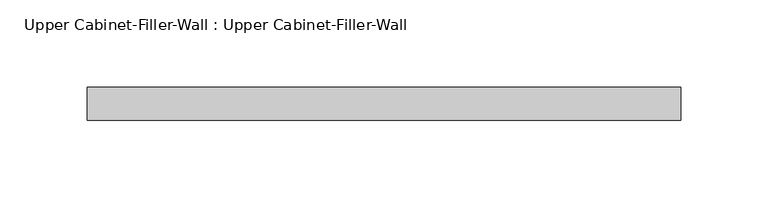
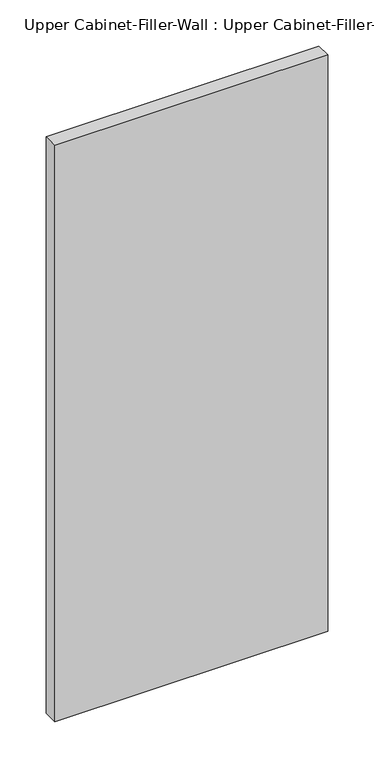
"""IFC4 building model written with IfcOpenShell, lengths in millimetres: furniture geometry, Upper Cabinet-Filler-Wall : Upper Cabinet-Filler-Wall."""

from ifc_helpers import new_model, si_unit, frame, origin, place, context, project, spatial, polyline, outline, extrude, source, transform, mapped, element, save


def upper_cabinet_filler_wall_upper_cabinet_filler_wall_d3ee067b(model_context):
    return source(origin(), model_context, "Body", "SweptSolid", [
        extrude(outline(polyline([(-140.702861, -358.125), (200.2451866, -358.125), (200.2451866, -377.175), (-140.702861, -377.175), (-140.702861, -358.125)])), frame((0.0, 0.0, 1371.6), z_axis=(0.0, 0.0, 1.0), x_axis=(1.0, 0.0, 0.0)), (0.0, 0.0, 1.0), 762.0),
    ])


if __name__ == "__main__":
    model = new_model("IFC4")
    model_context = context("Model", 3, world=origin())
    ifc_project = project(units=[si_unit("LENGTHUNIT", "METRE", prefix="MILLI")], contexts=[model_context])
    site = spatial("IfcSite", under=ifc_project)
    building = spatial("IfcBuilding", under=site)
    placement = place(None, origin())
    upper_cabinet_filler_wall_upper_cabinet_filler_wall_shape = upper_cabinet_filler_wall_upper_cabinet_filler_wall_d3ee067b(model_context)
    element("IfcFurniture", 1, ObjectType="Upper Cabinet-Filler-Wall : Upper Cabinet-Filler-Wall", at=placement, inside=building, context=model_context, shape_type="MappedRepresentation", body=[
        mapped(upper_cabinet_filler_wall_upper_cabinet_filler_wall_shape, transform((0.0, 0.0, 0.0), x_axis=(1.0, 0.0, 0.0), y_axis=(0.0, 1.0, 0.0), z_axis=(0.0, 0.0, 1.0))),
    ])
    save(model, "model.ifc")
